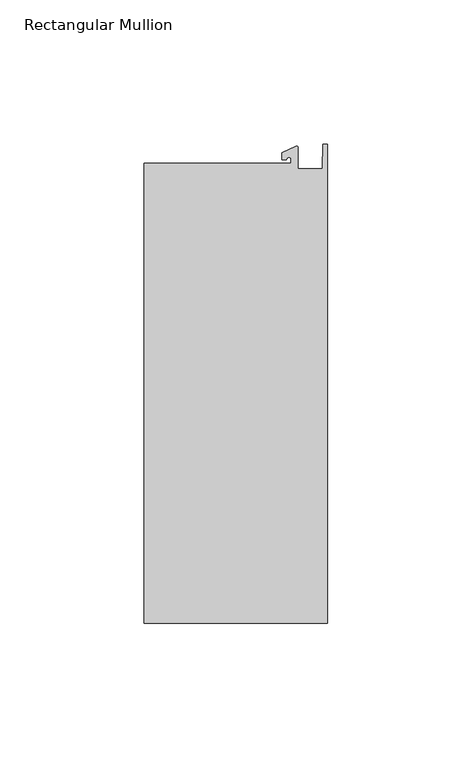
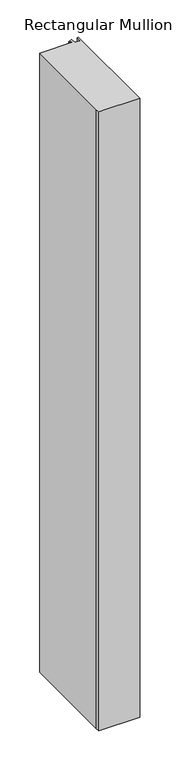
"""IFC4 building model written with IfcOpenShell, lengths in millimetres: member geometry, Rectangular Mullion."""

from ifc_helpers import new_model, si_unit, point, frame, frame_2d, origin, place, context, project, spatial, polyline, circle_curve, trimmed, segment, composite_curve, outline, extrude, source, transform, mapped, element, save


def rectangular_mullion_ea32bba4(model_context):
    return source(origin(), model_context, "Body", "SweptSolid", [
        extrude(outline(composite_curve([segment(polyline([(-12.6173814, 25.796875), (-12.6173814, 27.0827507)]), True, "CONTINUOUS"), segment(trimmed(circle_curve(frame_2d((-13.4111314, 27.0827507)), 0.79375), [point((-12.6173814, 27.0827507))], [point((-14.2048814, 27.0827507))], True, "CARTESIAN"), True, "CONTINUOUS"), segment(polyline([(-14.2048814, 27.0827507), (-15.7923814, 27.0827507), (-15.7923814, 29.44495), (-10.9524715, 31.7018371)]), True, "CONTINUOUS"), segment(trimmed(circle_curve(frame_2d((-10.7377814, 31.2414327)), 0.508), [point((-10.9524715, 31.7018371))], [point((-10.2297814, 31.2414327))], False, "CARTESIAN"), True, "CONTINUOUS"), segment(polyline([(-10.2297814, 31.2414327), (-10.2297814, 23.9227662), (-1.7144124, 23.9227662), (-1.5658966, 32.288874), (0.0, 32.288874), (0.0, -133.34365), (-63.5, -133.34365), (-63.5, -125.8081374), (-63.5, 25.796875), (-12.6173814, 25.796875)]), True, "CONTINUOUS")], self_intersect=False)), frame((0.0, 0.0, -1016.0), z_axis=(0.0, 0.0, 1.0), x_axis=(1.0, 0.0, 0.0)), (0.0, 0.0, 1.0), 1016.0),
    ])


if __name__ == "__main__":
    model = new_model("IFC4")
    model_context = context("Model", 3, world=origin())
    ifc_project = project(units=[si_unit("LENGTHUNIT", "METRE", prefix="MILLI")], contexts=[model_context])
    site = spatial("IfcSite", under=ifc_project)
    building = spatial("IfcBuilding", under=site)
    placement = place(None, origin())
    rectangular_mullion_shape = rectangular_mullion_ea32bba4(model_context)
    element("IfcMember", 1, ObjectType="Rectangular Mullion", at=placement, inside=building, context=model_context, shape_type="MappedRepresentation", body=[
        mapped(rectangular_mullion_shape, transform((0.0, 0.0, 0.0), x_axis=(1.0, 0.0, 0.0), y_axis=(0.0, 1.0, 0.0), z_axis=(0.0, 0.0, 1.0))),
    ])
    save(model, "model.ifc")
